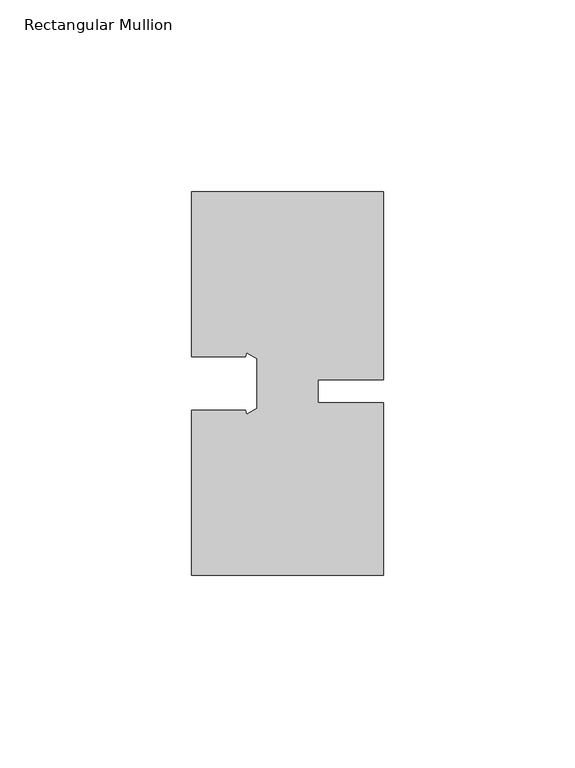
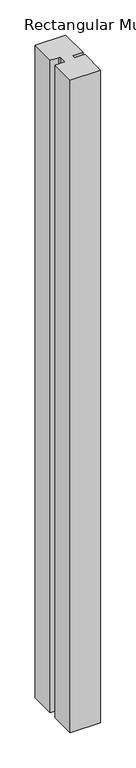
"""IFC4 building model written with IfcOpenShell, lengths in millimetres: member geometry, Rectangular Mullion."""

from ifc_helpers import new_model, si_unit, frame, origin, place, context, project, spatial, polyline, outline, extrude, source, transform, mapped, element, save


def rectangular_mullion_a6906bf1(model_context):
    return source(origin(), model_context, "Body", "SweptSolid", [
        extrude(outline(polyline([(8.0004617, -3.0000086), (25.0, -3.0000007), (25.0000209, -48.0000007), (-24.9999791, -48.000024), (-24.9999791, -5.0000444), (-11.0000028, -5.0000444), (-10.7320523, -6.0000511), (-8.0, -4.4227016), (-8.0, 8.4226304), (-10.7320448, 9.9999789), (-11.0000008, 8.9999556), (-24.9999791, 8.9999556), (-24.9999791, 51.9999711), (24.9999743, 51.9999993), (24.9999972, 3.0000166), (8.0004589, 3.0000086), (8.0004617, -3.0000086)])), frame((0.0, 0.0, -1130.1124255), z_axis=(0.0, 0.0, 1.0), x_axis=(1.0, 0.0, 0.0)), (0.0, 0.0, 1.0), 1130.1124255),
    ])


if __name__ == "__main__":
    model = new_model("IFC4")
    model_context = context("Model", 3, world=origin())
    ifc_project = project(units=[si_unit("LENGTHUNIT", "METRE", prefix="MILLI")], contexts=[model_context])
    site = spatial("IfcSite", under=ifc_project)
    building = spatial("IfcBuilding", under=site)
    placement = place(None, origin())
    rectangular_mullion_shape = rectangular_mullion_a6906bf1(model_context)
    element("IfcMember", 1, ObjectType="Rectangular Mullion", at=placement, inside=building, context=model_context, shape_type="MappedRepresentation", body=[
        mapped(rectangular_mullion_shape, transform((0.0, 0.0, 0.0), x_axis=(1.0, 0.0, 0.0), y_axis=(0.0, 1.0, 0.0), z_axis=(0.0, 0.0, 1.0))),
    ])
    save(model, "model.ifc")
